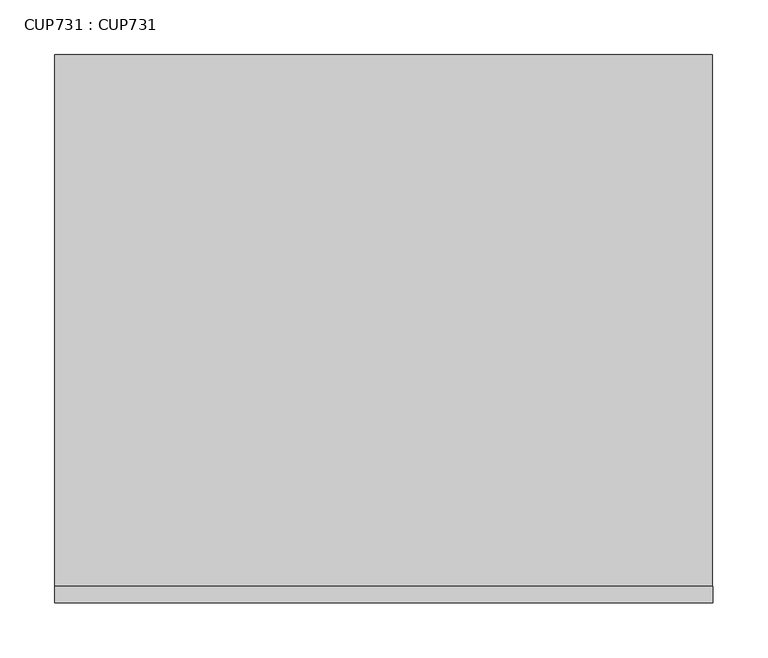
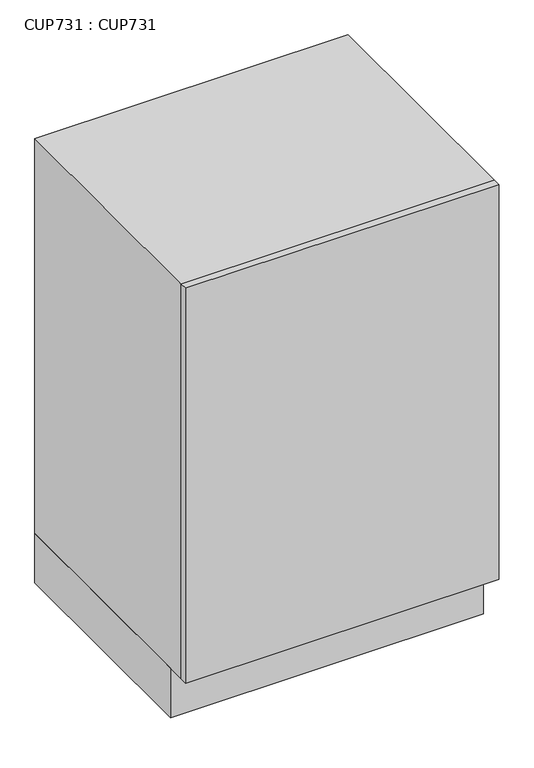
"""IFC4 building model written with IfcOpenShell, lengths in millimetres: proxy geometry, CUP731 : CUP731."""

from ifc_helpers import new_model, si_unit, frame, origin, origin_with_axes, place, context, project, spatial, polyline, outline, extrude, source, transform, mapped, element, save


def cup731_cup731_a95bd96f(model_context):
    return source(origin(), model_context, "Body", "SweptSolid", [
        extrude(outline(polyline([(600.0079319, -450.0), (0.0, -450.0), (0.0, 0.0), (600.0079319, 0.0), (600.0079319, -450.0)])), origin_with_axes(), (0.0, 0.0, 1.0), 100.0000008),
        extrude(outline(polyline([(600.2238797, -485.000011), (600.2238797, -500.0000038), (0.0, -500.0000038), (0.0, -485.000011), (600.2238797, -485.000011)])), frame((0.0, 0.0, 100.0000008), z_axis=(0.0, 0.0, 1.0), x_axis=(1.0, 0.0, 0.0)), (0.0, 0.0, 1.0), 800.0000061),
        extrude(outline(polyline([(600.0000046, 0.0), (600.0000046, -485.000011), (0.0, -485.000011), (0.0, 0.0), (600.0000046, 0.0)])), frame((0.0, 0.0, 100.0000008), z_axis=(0.0, 0.0, 1.0), x_axis=(1.0, 0.0, 0.0)), (0.0, 0.0, 1.0), 800.0000061),
    ])


if __name__ == "__main__":
    model = new_model("IFC4")
    model_context = context("Model", 3, world=origin())
    ifc_project = project(units=[si_unit("LENGTHUNIT", "METRE", prefix="MILLI")], contexts=[model_context])
    site = spatial("IfcSite", under=ifc_project)
    building = spatial("IfcBuilding", under=site)
    placement = place(None, origin())
    cup731_cup731_shape = cup731_cup731_a95bd96f(model_context)
    element("IfcBuildingElementProxy", 1, Name="CUP731 : CUP731", ObjectType="CUP731 : CUP731", at=placement, inside=building, context=model_context, shape_type="MappedRepresentation", body=[
        mapped(cup731_cup731_shape, transform((0.0, 0.0, 0.0), x_axis=(1.0, 0.0, 0.0), y_axis=(0.0, 1.0, 0.0), z_axis=(0.0, 0.0, 1.0))),
    ])
    save(model, "model.ifc")
